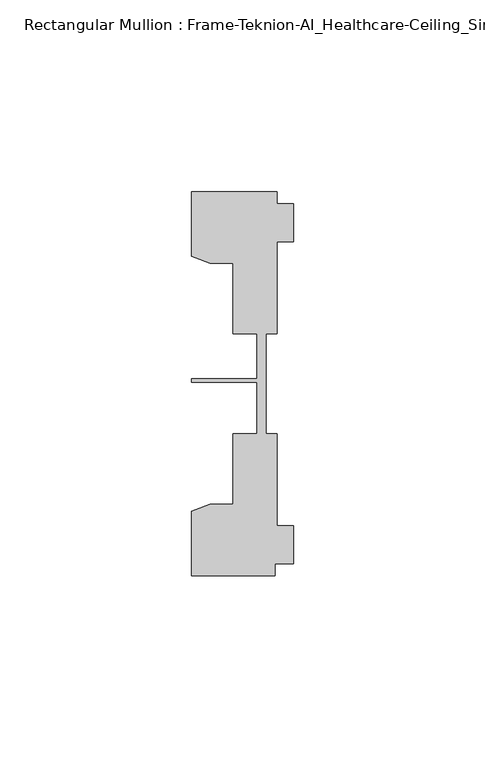
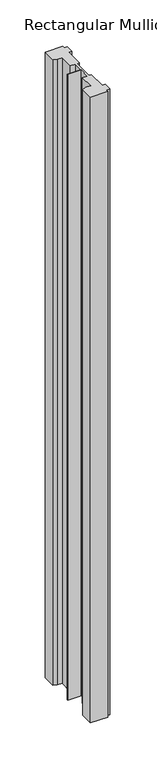
"""IFC4 building model written with IfcOpenShell, lengths in millimetres: member geometry, Rectangular Mullion : Frame-Teknion-AI_Healthcare-Ceiling_Single_Channel."""

from ifc_helpers import new_model, si_unit, frame, origin, place, context, project, spatial, polyline, outline, extrude, source, transform, mapped, element, save


def rectangular_mullion_frame_teknion_ai_healthcare_ceiling_63f22d93(model_context):
    return source(origin(), model_context, "Body", "SweptSolid", [
        extrude(outline(polyline([(-26.4921999, -34.0201677), (-21.6625199, -32.2880982), (-15.6737764, -32.2880982), (-15.6737764, -13.9110722), (-9.4507761, -13.9110722), (-9.4507761, -0.4036528), (-26.4921999, -0.4036528), (-26.4921999, 0.4036528), (-9.4507761, 0.4036528), (-9.4507761, 12.2509301), (-15.6737764, 12.2509301), (-15.6737764, 30.6279561), (-21.6625199, 30.6279561), (-26.4921999, 32.3600207), (-26.4921999, 49.1699293), (-4.2672007, 49.1699293), (-4.2672007, 46.1219322), (0.0, 46.1219322), (0.0, 36.1219249), (-4.2672007, 36.1219249), (-4.2672007, 12.2509301), (-7.1647766, 12.2509301), (-7.1647766, -0.0814804), (-7.1647766, -13.9110722), (-4.2672007, -13.9110722), (-4.2672007, -37.7820716), (0.0, -37.7820716), (0.0, -47.782071), (-4.7752002, -47.782071), (-4.7752002, -50.8315128), (-26.4921999, -50.8315128), (-26.4921999, -34.0201677)])), frame((0.0, 0.0, -843.9982003), z_axis=(0.0, 0.0, 1.0), x_axis=(1.0, 0.0, 0.0)), (0.0, 0.0, 1.0), 843.9982003),
    ])


if __name__ == "__main__":
    model = new_model("IFC4")
    model_context = context("Model", 3, world=origin())
    ifc_project = project(units=[si_unit("LENGTHUNIT", "METRE", prefix="MILLI")], contexts=[model_context])
    site = spatial("IfcSite", under=ifc_project)
    building = spatial("IfcBuilding", under=site)
    placement = place(None, origin())
    rectangular_mullion_frame_teknion_ai_healthcare_ceiling_shape = rectangular_mullion_frame_teknion_ai_healthcare_ceiling_63f22d93(model_context)
    element("IfcMember", 1, ObjectType="Rectangular Mullion : Frame-Teknion-AI_Healthcare-Ceiling_Single_Channel", at=placement, inside=building, context=model_context, shape_type="MappedRepresentation", body=[
        mapped(rectangular_mullion_frame_teknion_ai_healthcare_ceiling_shape, transform((0.0, 0.0, 0.0), x_axis=(1.0, 0.0, 0.0), y_axis=(0.0, 1.0, 0.0), z_axis=(0.0, 0.0, 1.0))),
    ])
    save(model, "model.ifc")
